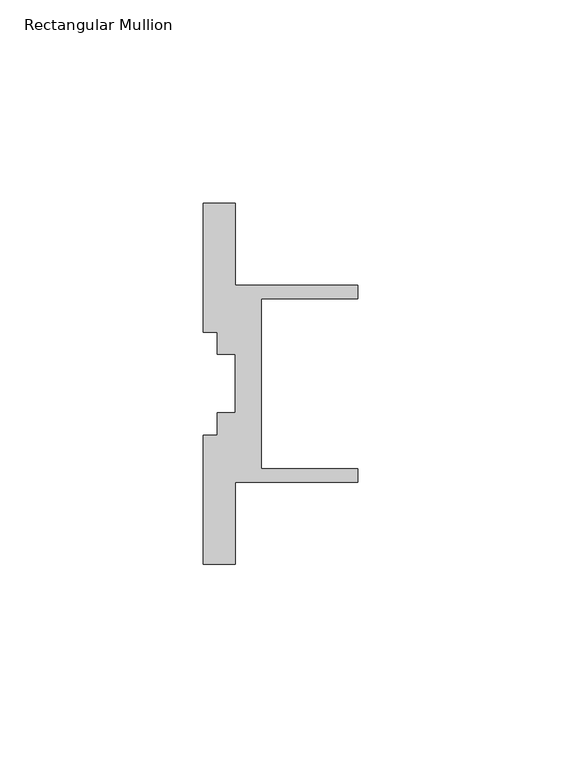
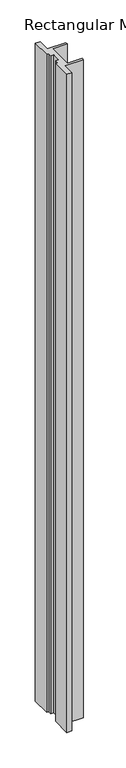
"""IFC4 building model written with IfcOpenShell, lengths in millimetres: member geometry, Rectangular Mullion."""

from ifc_helpers import new_model, si_unit, frame, origin, place, context, project, spatial, polyline, outline, extrude, source, transform, mapped, element, save


def rectangular_mullion_a9b1e0bc(model_context):
    return source(origin(), model_context, "Body", "SweptSolid", [
        extrude(outline(polyline([(7.9375, 24.2500008), (38.1, 24.2500008), (38.1, 20.9500007), (14.2875, 20.9500007), (14.2875, -20.9500007), (38.1, -20.9500007), (38.1, -24.2500008), (7.9375, -24.2500008), (7.9375, -44.45), (0.0, -44.45), (0.0, -12.7000004), (3.5000001, -12.7000004), (3.5000001, -7.2000002), (7.9375, -7.2000002), (7.9375, 7.2000002), (3.5000001, 7.2000002), (3.5000001, 12.7000004), (0.0, 12.7000004), (0.0, 44.45), (7.9375, 44.45), (7.9375, 24.2500008)])), frame((0.0, 0.0, -1133.475), z_axis=(0.0, 0.0, 1.0), x_axis=(1.0, 0.0, 0.0)), (0.0, 0.0, 1.0), 1133.475),
    ])


if __name__ == "__main__":
    model = new_model("IFC4")
    model_context = context("Model", 3, world=origin())
    ifc_project = project(units=[si_unit("LENGTHUNIT", "METRE", prefix="MILLI")], contexts=[model_context])
    site = spatial("IfcSite", under=ifc_project)
    building = spatial("IfcBuilding", under=site)
    placement = place(None, origin())
    rectangular_mullion_shape = rectangular_mullion_a9b1e0bc(model_context)
    element("IfcMember", 1, ObjectType="Rectangular Mullion", at=placement, inside=building, context=model_context, shape_type="MappedRepresentation", body=[
        mapped(rectangular_mullion_shape, transform((0.0, 0.0, 0.0), x_axis=(1.0, 0.0, 0.0), y_axis=(0.0, 1.0, 0.0), z_axis=(0.0, 0.0, 1.0))),
    ])
    save(model, "model.ifc")
